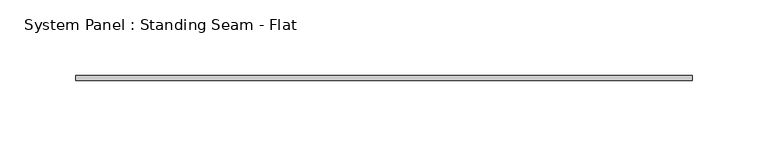
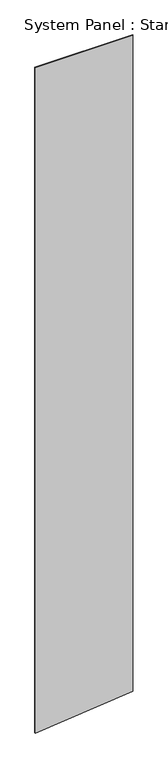
"""IFC4 building model written with IfcOpenShell, lengths in millimetres: plate geometry, System Panel : Standing Seam - Flat."""

from ifc_helpers import new_model, si_unit, frame, origin, place, context, project, spatial, polyline, outline, extrude, source, transform, mapped, element, save


def system_panel_standing_seam_flat_f5583ea6(model_context):
    return source(origin(), model_context, "Body", "SweptSolid", [
        extrude(outline(polyline([(0.0, -203.2), (41.2973855, 203.2), (2929.2900728, 203.2), (2929.2900728, -203.2), (0.0, -203.2)])), frame((0.0, -1.5875, 0.0), z_axis=(0.0, 1.0, 0.0), x_axis=(0.0, 0.0, 1.0)), (0.0, 0.0, 1.0), 3.175),
    ])


if __name__ == "__main__":
    model = new_model("IFC4")
    model_context = context("Model", 3, world=origin())
    ifc_project = project(units=[si_unit("LENGTHUNIT", "METRE", prefix="MILLI")], contexts=[model_context])
    site = spatial("IfcSite", under=ifc_project)
    building = spatial("IfcBuilding", under=site)
    placement = place(None, origin())
    system_panel_standing_seam_flat_shape = system_panel_standing_seam_flat_f5583ea6(model_context)
    element("IfcPlate", 1, ObjectType="System Panel : Standing Seam - Flat", at=placement, inside=building, context=model_context, shape_type="MappedRepresentation", body=[
        mapped(system_panel_standing_seam_flat_shape, transform((0.0, 0.0, 0.0), x_axis=(1.0, 0.0, 0.0), y_axis=(0.0, 1.0, 0.0), z_axis=(0.0, 0.0, 1.0))),
    ])
    save(model, "model.ifc")
